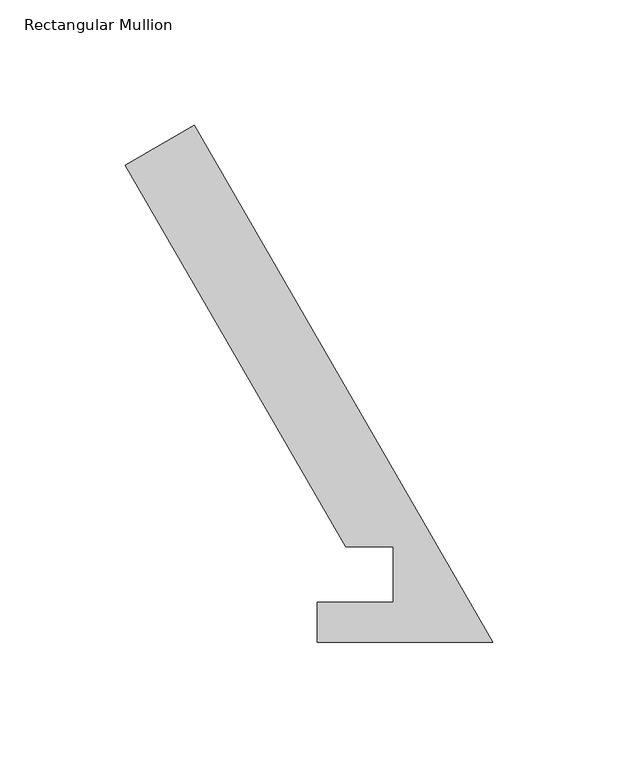
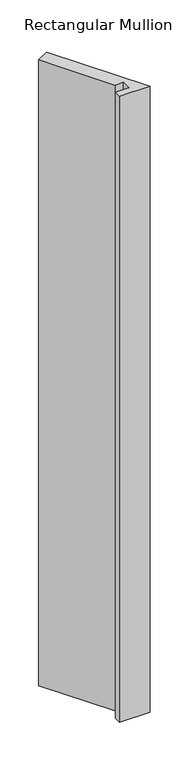
"""IFC4 building model written with IfcOpenShell, lengths in millimetres: member geometry, Rectangular Mullion."""

from ifc_helpers import new_model, si_unit, frame, origin, place, context, project, spatial, polyline, outline, extrude, source, transform, mapped, element, save


def rectangular_mullion_b03aa0c6(model_context):
    return source(origin(), model_context, "Body", "SweptSolid", [
        extrude(outline(polyline([(0.0, -0.0016643), (-70.0221241, -0.0016643), (-70.0221241, 15.8579232), (-39.5502785, 15.8579232), (-39.5502785, 37.9741117), (-58.5911617, 37.9741117), (-146.579344, 190.3741139), (-119.0816873, 206.2498933), (0.0, -0.0016643)])), frame((0.0, 0.0, -1524.0), z_axis=(0.0, 0.0, 1.0), x_axis=(1.0, 0.0, 0.0)), (0.0, 0.0, 1.0), 1524.0),
    ])


if __name__ == "__main__":
    model = new_model("IFC4")
    model_context = context("Model", 3, world=origin())
    ifc_project = project(units=[si_unit("LENGTHUNIT", "METRE", prefix="MILLI")], contexts=[model_context])
    site = spatial("IfcSite", under=ifc_project)
    building = spatial("IfcBuilding", under=site)
    placement = place(None, origin())
    rectangular_mullion_shape = rectangular_mullion_b03aa0c6(model_context)
    element("IfcMember", 1, ObjectType="Rectangular Mullion", at=placement, inside=building, context=model_context, shape_type="MappedRepresentation", body=[
        mapped(rectangular_mullion_shape, transform((0.0, 0.0, 0.0), x_axis=(1.0, 0.0, 0.0), y_axis=(0.0, 1.0, 0.0), z_axis=(0.0, 0.0, 1.0))),
    ])
    save(model, "model.ifc")
